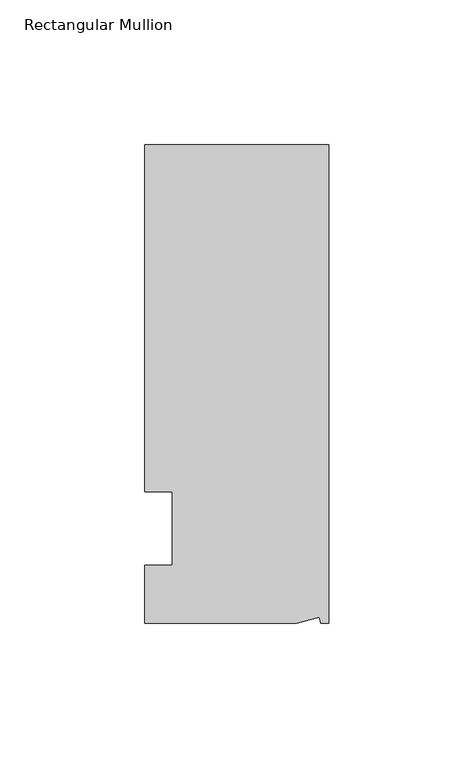
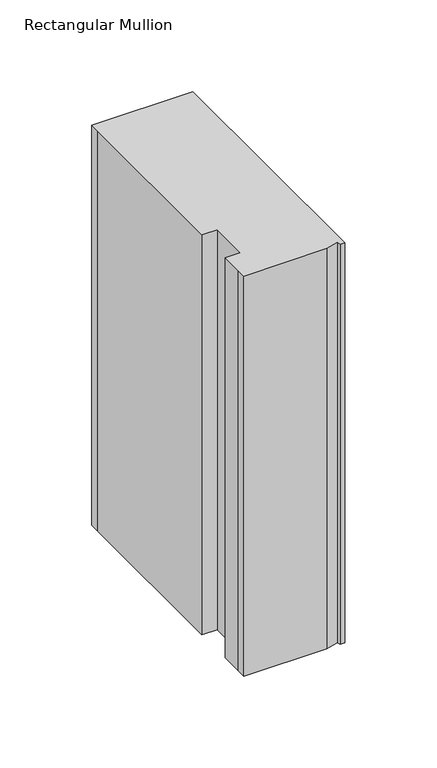
"""IFC4 building model written with IfcOpenShell, lengths in millimetres: member geometry, Rectangular Mullion."""

from ifc_helpers import new_model, si_unit, frame, origin, place, context, project, spatial, polyline, outline, extrude, source, transform, mapped, element, save


def rectangular_mullion_dd611b73(model_context):
    return source(origin(), model_context, "Body", "SweptSolid", [
        extrude(outline(polyline([(0.0, 132.5561012), (0.0, -32.5438988), (-2.7616541, -32.5438988), (-3.3341886, -30.4622958), (-11.121847, -32.5438988), (-63.5, -32.5438988), (-63.5, -26.1938988), (-63.5, -12.5945801), (-53.975, -12.5945801), (-53.975, 12.8054199), (-63.5, 12.8054199), (-63.5, 126.2061012), (-63.5, 132.5561012), (0.0, 132.5561012)])), frame((0.0, 0.0, -265.75385), z_axis=(0.0, 0.0, 1.0), x_axis=(1.0, 0.0, 0.0)), (0.0, 0.0, 1.0), 265.75385),
    ])


if __name__ == "__main__":
    model = new_model("IFC4")
    model_context = context("Model", 3, world=origin())
    ifc_project = project(units=[si_unit("LENGTHUNIT", "METRE", prefix="MILLI")], contexts=[model_context])
    site = spatial("IfcSite", under=ifc_project)
    building = spatial("IfcBuilding", under=site)
    placement = place(None, origin())
    rectangular_mullion_shape = rectangular_mullion_dd611b73(model_context)
    element("IfcMember", 1, ObjectType="Rectangular Mullion", at=placement, inside=building, context=model_context, shape_type="MappedRepresentation", body=[
        mapped(rectangular_mullion_shape, transform((0.0, 0.0, 0.0), x_axis=(1.0, 0.0, 0.0), y_axis=(0.0, 1.0, 0.0), z_axis=(0.0, 0.0, 1.0))),
    ])
    save(model, "model.ifc")
